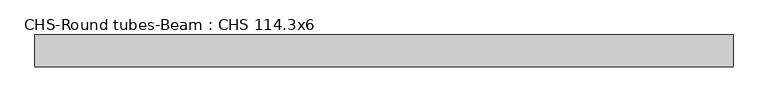
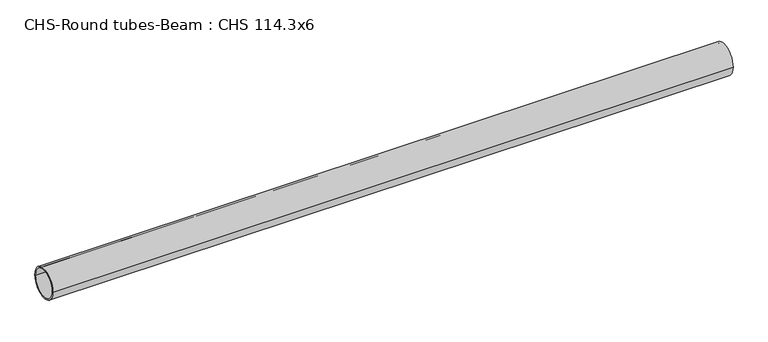
"""IFC4 building model written with IfcOpenShell, lengths in millimetres: beam geometry, CHS-Round tubes-Beam : CHS 114.3x6."""

from ifc_helpers import new_model, si_unit, point, frame, origin, origin_2d, place, context, project, spatial, circle_curve, trimmed, segment, composite_curve, outline, extrude, source, transform, mapped, element, save


def chs_round_tubes_beam_chs_114_3x6_92ed225c(model_context):
    return source(origin(), model_context, "Body", "SweptSolid", [
        extrude(outline(composite_curve([segment(trimmed(circle_curve(origin_2d(), 57.15), [point((57.15, 0.0))], [point((-57.15, 0.0))], False, "CARTESIAN"), True, "CONTINUOUS"), segment(trimmed(circle_curve(origin_2d(), 57.15), [point((-57.15, 0.0))], [point((57.15, 0.0))], False, "CARTESIAN"), True, "CONTINUOUS")], self_intersect=False), holes=[composite_curve([segment(trimmed(circle_curve(origin_2d(), 51.15), [point((51.15, 0.0))], [point((-51.15, 0.0))], True, "CARTESIAN"), True, "CONTINUOUS"), segment(trimmed(circle_curve(origin_2d(), 51.15), [point((-51.15, 0.0))], [point((51.15, 0.0))], True, "CARTESIAN"), True, "CONTINUOUS")], self_intersect=False)]), frame((-1222.0076654, 0.0, 0.0), z_axis=(1.0, 0.0, 0.0), x_axis=(0.0, 1.0, 0.0)), (0.0, 0.0, 1.0), 2510.26329),
    ])


if __name__ == "__main__":
    model = new_model("IFC4")
    model_context = context("Model", 3, world=origin())
    ifc_project = project(units=[si_unit("LENGTHUNIT", "METRE", prefix="MILLI")], contexts=[model_context])
    site = spatial("IfcSite", under=ifc_project)
    building = spatial("IfcBuilding", under=site)
    placement = place(None, origin())
    chs_round_tubes_beam_chs_114_3x6_shape = chs_round_tubes_beam_chs_114_3x6_92ed225c(model_context)
    element("IfcBeam", 1, ObjectType="CHS-Round tubes-Beam : CHS 114.3x6", at=placement, inside=building, context=model_context, shape_type="MappedRepresentation", body=[
        mapped(chs_round_tubes_beam_chs_114_3x6_shape, transform((0.0, 0.0, 0.0), x_axis=(1.0, 0.0, 0.0), y_axis=(0.0, 1.0, 0.0), z_axis=(0.0, 0.0, 1.0))),
    ])
    save(model, "model.ifc")
